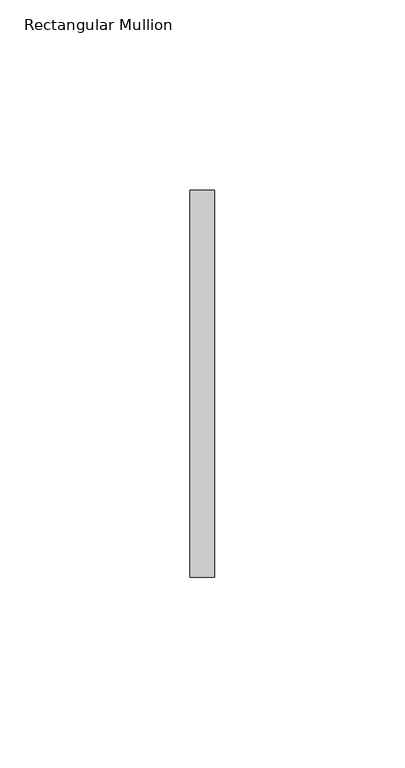
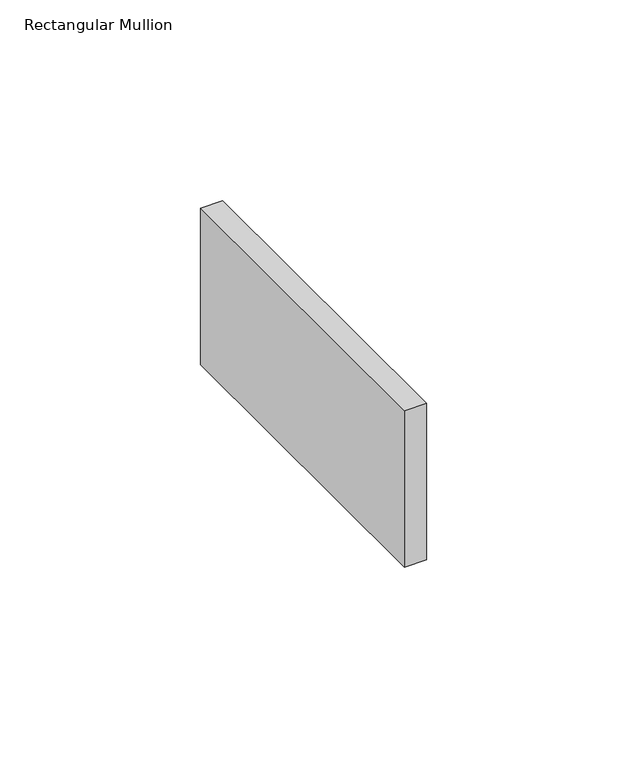
"""IFC4 building model written with IfcOpenShell, lengths in millimetres: member geometry, Rectangular Mullion."""

import ifcopenshell
import ifcopenshell.guid

model = None  # the IFC model being written
_history = None  # IfcOwnerHistory: only IFC2X3 demands one
_inside = {}  # id of a spatial element -> (the spatial element, [elements in it])
_under = {}  # id of a project, library or spatial element -> (it, [spatial elements below it])
_declared = {}  # id of a project -> (the project, [libraries it declares])
_typed = {}  # id of a type object -> (the type object, [elements of that type])
_made_of = {}  # id of a material, layer set ... -> (it, [elements and type objects made of it])


def new_model(schema):
    """Start an empty IFC model of exactly this schema.

    Asked for "IFC4X3", IfcOpenShell would pick the latest addendum, in which some entities
    have other attributes; the version numbers below select the first issue.
    IFC2X3 requires an IfcOwnerHistory on every rooted entity: one is made here for all.
    """
    global model, _history
    if schema == "IFC4X3":
        model = ifcopenshell.file(schema_version=(4, 3, 0, 0))
    else:
        model = ifcopenshell.file(schema=schema)
    _inside.clear()
    _under.clear()
    _declared.clear()
    _typed.clear()
    _made_of.clear()
    _history = None
    if model.schema == "IFC2X3":
        org = make("IfcOrganization", Name="unknown")
        user = make(
            "IfcPersonAndOrganization",
            ThePerson=make("IfcPerson", FamilyName="unknown"),
            TheOrganization=org,
        )
        app = make(
            "IfcApplication",
            ApplicationDeveloper=org,
            Version="unknown",
            ApplicationFullName="unknown",
            ApplicationIdentifier="unknown",
        )
        _history = make(
            "IfcOwnerHistory",
            OwningUser=user,
            OwningApplication=app,
            ChangeAction="ADDED",
            CreationDate=0,
        )
    return model


def make(cls, **values):
    """One entity of the class cls with the attributes given. An attribute that is None is left unset."""
    return model.create_entity(
        cls, **{name: value for name, value in values.items() if value is not None}
    )


def rooted(cls, **values):
    """An entity with a GlobalId (a new one), such as an element, a storey or a relation."""
    return make(cls, GlobalId=ifcopenshell.guid.new(), OwnerHistory=_history, **values)


def si_unit(unit_type, name, prefix=None):
    """IfcSIUnit, for example si_unit("LENGTHUNIT", "METRE", prefix="MILLI")."""
    return make("IfcSIUnit", UnitType=unit_type, Prefix=prefix, Name=name)


def assignment(units):
    """IfcUnitAssignment: the units of a project."""
    return None if units is None else make("IfcUnitAssignment", Units=units)


def point(xyz):
    """IfcCartesianPoint."""
    return None if xyz is None else make("IfcCartesianPoint", Coordinates=xyz)


def direction(xyz):
    """IfcDirection."""
    return None if xyz is None else make("IfcDirection", DirectionRatios=xyz)


def frame(location, z_axis=None, x_axis=None):
    """IfcAxis2Placement3D, a coordinate frame: its origin and axes. An axis left out is left unset."""
    return make(
        "IfcAxis2Placement3D",
        Location=point(location),
        Axis=direction(z_axis),
        RefDirection=direction(x_axis),
    )


def origin():
    """The frame at (0, 0, 0) with its axes left unset."""
    return frame((0.0, 0.0, 0.0))


def place(relative_to, where):
    """IfcLocalPlacement: puts the frame where relative to a parent placement (None: the world)."""
    return make(
        "IfcLocalPlacement", PlacementRelTo=relative_to, RelativePlacement=where
    )


def context(
    kind, dimensions, precision=None, world=None, true_north=None, identifier=None
):
    """IfcGeometricRepresentationContext, for example the 3D "Model" context."""
    return make(
        "IfcGeometricRepresentationContext",
        ContextIdentifier=identifier,
        ContextType=kind,
        CoordinateSpaceDimension=dimensions,
        Precision=precision,
        WorldCoordinateSystem=world,
        TrueNorth=true_north,
    )


def project(units=None, contexts=None):
    """IfcProject with its units and contexts."""
    return rooted(
        "IfcProject",
        Name="project",
        RepresentationContexts=contexts,
        UnitsInContext=assignment(units),
    )


def spatial(cls, under=None, at=None, **own):
    """A site, building, storey or space (cls), placed at a placement, below another one or the project."""
    s = rooted(cls, ObjectPlacement=at, **own)
    if under is not None:
        _under.setdefault(under.id(), (under, []))[1].append(s)
    return s


def polyline(points):
    """IfcPolyline through the points."""
    return make("IfcPolyline", Points=[point(p) for p in points])


def outline(outer, holes=None, kind="AREA"):
    """IfcArbitraryClosedProfileDef: a profile drawn as a closed curve; with holes, ...WithVoids."""
    if holes is None:
        return make("IfcArbitraryClosedProfileDef", ProfileType=kind, OuterCurve=outer)
    return make(
        "IfcArbitraryProfileDefWithVoids",
        ProfileType=kind,
        OuterCurve=outer,
        InnerCurves=holes,
    )


def extrude(swept, where, along, depth):
    """IfcExtrudedAreaSolid: the profile swept, set in the frame where, extruded along a direction by depth."""
    return make(
        "IfcExtrudedAreaSolid",
        SweptArea=swept,
        Position=where,
        ExtrudedDirection=direction(along),
        Depth=depth,
    )


def shape(context_of_items, identifier, shape_type, items):
    """IfcShapeRepresentation: the items that make up one representation, for example the "Body"."""
    return make(
        "IfcShapeRepresentation",
        ContextOfItems=context_of_items,
        RepresentationIdentifier=identifier,
        RepresentationType=shape_type,
        Items=items,
    )


def source(mapping_origin, context_of_items, identifier, shape_type, items):
    """IfcRepresentationMap: a shape defined once, which mapped items show again and again."""
    return make(
        "IfcRepresentationMap",
        MappingOrigin=mapping_origin,
        MappedRepresentation=shape(context_of_items, identifier, shape_type, items),
    )


def transform(
    local_origin,
    x_axis=None,
    y_axis=None,
    z_axis=None,
    scale=None,
    scale2=None,
    scale3=None,
    uniform=True,
):
    """IfcCartesianTransformationOperator3D, or its non-uniform kind. x_axis, y_axis, z_axis: its Axis1, 2, 3."""
    if uniform:
        return make(
            "IfcCartesianTransformationOperator3D",
            Axis1=direction(x_axis),
            Axis2=direction(y_axis),
            LocalOrigin=point(local_origin),
            Scale=scale,
            Axis3=direction(z_axis),
        )
    return make(
        "IfcCartesianTransformationOperator3DnonUniform",
        Axis1=direction(x_axis),
        Axis2=direction(y_axis),
        LocalOrigin=point(local_origin),
        Scale=scale,
        Axis3=direction(z_axis),
        Scale2=scale2,
        Scale3=scale3,
    )


def mapped(mapping_source, mapping_target):
    """IfcMappedItem: shows the shape of a source again, moved by a transform."""
    return make(
        "IfcMappedItem", MappingSource=mapping_source, MappingTarget=mapping_target
    )


def made_of(thing, what):
    """Note that an element or type object is made of a material, layer set ...; save() writes the relation."""
    if what is not None:
        _made_of.setdefault(what.id(), (what, []))[1].append(thing)
    return thing


def element(
    cls,
    number,
    at=None,
    inside=None,
    cuts=None,
    type_object=None,
    material=None,
    context=None,
    identifier="Body",
    shape_type=None,
    held_by="IfcProductDefinitionShape",
    body=None,
    shapes=None,
    **own,
):
    """One element of the class cls, such as IfcWall. Its Tag is "e" and its number.

    at: its placement. inside: the storey or other place that contains it. cuts: it is an
    opening in that element (IfcRelVoidsElement). A single representation is given by context,
    identifier, shape_type and body (its items); several are given by shapes. held_by: the class
    of the entity that holds the representations. save() writes the other relations.
    """
    e = rooted(cls, Tag="e%d" % number, ObjectPlacement=at, **own)
    if body is not None:
        shapes = [shape(context, identifier, shape_type, body)]
    if shapes is not None:
        e.Representation = make(held_by, Representations=shapes)
    if inside is not None:
        _inside.setdefault(inside.id(), (inside, []))[1].append(e)
    if cuts is not None:
        rooted(
            "IfcRelVoidsElement", RelatingBuildingElement=cuts, RelatedOpeningElement=e
        )
    if type_object is not None:
        _typed.setdefault(type_object.id(), (type_object, []))[1].append(e)
    return made_of(e, material)


def aggregate(whole, parts):
    """IfcRelAggregates: a whole, such as a stair, and the parts it consists of."""
    return rooted("IfcRelAggregates", RelatingObject=whole, RelatedObjects=parts)


def save(model, path):
    """Write the relations noted so far, then the file.

    IfcRelAggregates (storeys below a building ...), IfcRelContainedInSpatialStructure (elements
    in a storey), IfcRelDefinesByType, IfcRelAssociatesMaterial and IfcRelDeclares: one each for
    every whole, place, type object, material and project.
    """
    for whole, parts in _under.values():
        aggregate(whole, parts)
    for where, things in _inside.values():
        rooted(
            "IfcRelContainedInSpatialStructure",
            RelatedElements=things,
            RelatingStructure=where,
        )
    for kind, things in _typed.values():
        rooted("IfcRelDefinesByType", RelatedObjects=things, RelatingType=kind)
    for what, things in _made_of.values():
        rooted("IfcRelAssociatesMaterial", RelatedObjects=things, RelatingMaterial=what)
    for by, libraries in _declared.values():
        rooted("IfcRelDeclares", RelatingContext=by, RelatedDefinitions=libraries)
    model.write(path)


def rectangular_mullion_91373fc3(model_context):
    return source(origin(), model_context, "Body", "SweptSolid", [
        extrude(outline(polyline([(0.0, 50.8), (0.0, -50.8), (-6.35, -50.8), (-6.35, 50.8), (0.0, 50.8)])), frame((0.0, 0.0, -47.625), z_axis=(0.0, 0.0, 1.0), x_axis=(1.0, 0.0, 0.0)), (0.0, 0.0, 1.0), 47.625),
    ])


if __name__ == "__main__":
    model = new_model("IFC4")
    model_context = context("Model", 3, world=origin())
    ifc_project = project(units=[si_unit("LENGTHUNIT", "METRE", prefix="MILLI")], contexts=[model_context])
    site = spatial("IfcSite", under=ifc_project)
    building = spatial("IfcBuilding", under=site)
    placement = place(None, origin())
    rectangular_mullion_shape = rectangular_mullion_91373fc3(model_context)
    element("IfcMember", 1, ObjectType="Rectangular Mullion", at=placement, inside=building, context=model_context, shape_type="MappedRepresentation", body=[
        mapped(rectangular_mullion_shape, transform((0.0, 0.0, 0.0), x_axis=(1.0, 0.0, 0.0), y_axis=(0.0, 1.0, 0.0), z_axis=(0.0, 0.0, 1.0))),
    ])
    save(model, "model.ifc")
